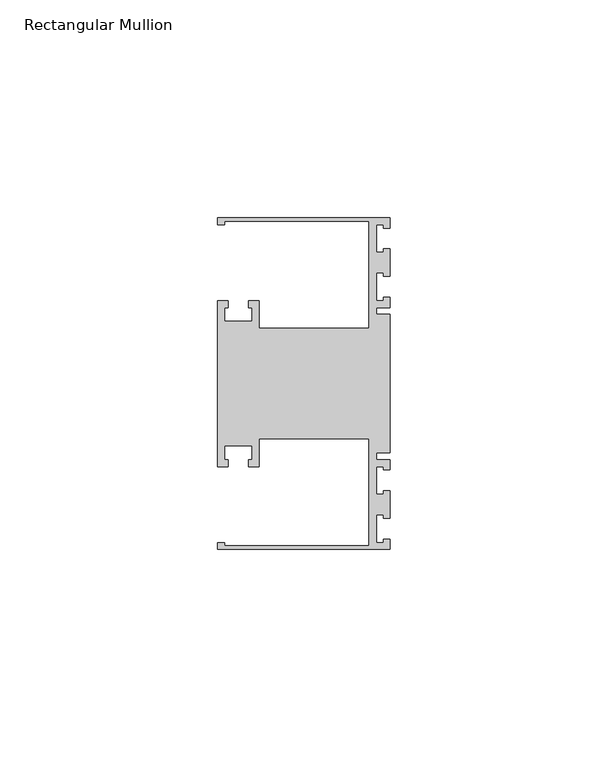
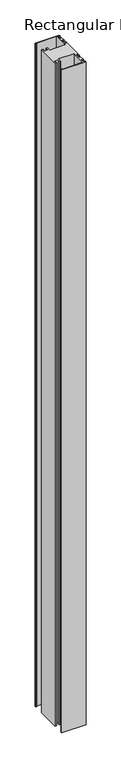
"""IFC4 building model written with IfcOpenShell, lengths in millimetres: member geometry, Rectangular Mullion."""

import ifcopenshell
import ifcopenshell.guid

model = None  # the IFC model being written
_history = None  # IfcOwnerHistory: only IFC2X3 demands one
_inside = {}  # id of a spatial element -> (the spatial element, [elements in it])
_under = {}  # id of a project, library or spatial element -> (it, [spatial elements below it])
_declared = {}  # id of a project -> (the project, [libraries it declares])
_typed = {}  # id of a type object -> (the type object, [elements of that type])
_made_of = {}  # id of a material, layer set ... -> (it, [elements and type objects made of it])


def new_model(schema):
    """Start an empty IFC model of exactly this schema.

    Asked for "IFC4X3", IfcOpenShell would pick the latest addendum, in which some entities
    have other attributes; the version numbers below select the first issue.
    IFC2X3 requires an IfcOwnerHistory on every rooted entity: one is made here for all.
    """
    global model, _history
    if schema == "IFC4X3":
        model = ifcopenshell.file(schema_version=(4, 3, 0, 0))
    else:
        model = ifcopenshell.file(schema=schema)
    _inside.clear()
    _under.clear()
    _declared.clear()
    _typed.clear()
    _made_of.clear()
    _history = None
    if model.schema == "IFC2X3":
        org = make("IfcOrganization", Name="unknown")
        user = make(
            "IfcPersonAndOrganization",
            ThePerson=make("IfcPerson", FamilyName="unknown"),
            TheOrganization=org,
        )
        app = make(
            "IfcApplication",
            ApplicationDeveloper=org,
            Version="unknown",
            ApplicationFullName="unknown",
            ApplicationIdentifier="unknown",
        )
        _history = make(
            "IfcOwnerHistory",
            OwningUser=user,
            OwningApplication=app,
            ChangeAction="ADDED",
            CreationDate=0,
        )
    return model


def make(cls, **values):
    """One entity of the class cls with the attributes given. An attribute that is None is left unset."""
    return model.create_entity(
        cls, **{name: value for name, value in values.items() if value is not None}
    )


def rooted(cls, **values):
    """An entity with a GlobalId (a new one), such as an element, a storey or a relation."""
    return make(cls, GlobalId=ifcopenshell.guid.new(), OwnerHistory=_history, **values)


def si_unit(unit_type, name, prefix=None):
    """IfcSIUnit, for example si_unit("LENGTHUNIT", "METRE", prefix="MILLI")."""
    return make("IfcSIUnit", UnitType=unit_type, Prefix=prefix, Name=name)


def assignment(units):
    """IfcUnitAssignment: the units of a project."""
    return None if units is None else make("IfcUnitAssignment", Units=units)


def point(xyz):
    """IfcCartesianPoint."""
    return None if xyz is None else make("IfcCartesianPoint", Coordinates=xyz)


def direction(xyz):
    """IfcDirection."""
    return None if xyz is None else make("IfcDirection", DirectionRatios=xyz)


def frame(location, z_axis=None, x_axis=None):
    """IfcAxis2Placement3D, a coordinate frame: its origin and axes. An axis left out is left unset."""
    return make(
        "IfcAxis2Placement3D",
        Location=point(location),
        Axis=direction(z_axis),
        RefDirection=direction(x_axis),
    )


def origin():
    """The frame at (0, 0, 0) with its axes left unset."""
    return frame((0.0, 0.0, 0.0))


def place(relative_to, where):
    """IfcLocalPlacement: puts the frame where relative to a parent placement (None: the world)."""
    return make(
        "IfcLocalPlacement", PlacementRelTo=relative_to, RelativePlacement=where
    )


def context(
    kind, dimensions, precision=None, world=None, true_north=None, identifier=None
):
    """IfcGeometricRepresentationContext, for example the 3D "Model" context."""
    return make(
        "IfcGeometricRepresentationContext",
        ContextIdentifier=identifier,
        ContextType=kind,
        CoordinateSpaceDimension=dimensions,
        Precision=precision,
        WorldCoordinateSystem=world,
        TrueNorth=true_north,
    )


def project(units=None, contexts=None):
    """IfcProject with its units and contexts."""
    return rooted(
        "IfcProject",
        Name="project",
        RepresentationContexts=contexts,
        UnitsInContext=assignment(units),
    )


def spatial(cls, under=None, at=None, **own):
    """A site, building, storey or space (cls), placed at a placement, below another one or the project."""
    s = rooted(cls, ObjectPlacement=at, **own)
    if under is not None:
        _under.setdefault(under.id(), (under, []))[1].append(s)
    return s


def polyline(points):
    """IfcPolyline through the points."""
    return make("IfcPolyline", Points=[point(p) for p in points])


def outline(outer, holes=None, kind="AREA"):
    """IfcArbitraryClosedProfileDef: a profile drawn as a closed curve; with holes, ...WithVoids."""
    if holes is None:
        return make("IfcArbitraryClosedProfileDef", ProfileType=kind, OuterCurve=outer)
    return make(
        "IfcArbitraryProfileDefWithVoids",
        ProfileType=kind,
        OuterCurve=outer,
        InnerCurves=holes,
    )


def extrude(swept, where, along, depth):
    """IfcExtrudedAreaSolid: the profile swept, set in the frame where, extruded along a direction by depth."""
    return make(
        "IfcExtrudedAreaSolid",
        SweptArea=swept,
        Position=where,
        ExtrudedDirection=direction(along),
        Depth=depth,
    )


def shape(context_of_items, identifier, shape_type, items):
    """IfcShapeRepresentation: the items that make up one representation, for example the "Body"."""
    return make(
        "IfcShapeRepresentation",
        ContextOfItems=context_of_items,
        RepresentationIdentifier=identifier,
        RepresentationType=shape_type,
        Items=items,
    )


def source(mapping_origin, context_of_items, identifier, shape_type, items):
    """IfcRepresentationMap: a shape defined once, which mapped items show again and again."""
    return make(
        "IfcRepresentationMap",
        MappingOrigin=mapping_origin,
        MappedRepresentation=shape(context_of_items, identifier, shape_type, items),
    )


def transform(
    local_origin,
    x_axis=None,
    y_axis=None,
    z_axis=None,
    scale=None,
    scale2=None,
    scale3=None,
    uniform=True,
):
    """IfcCartesianTransformationOperator3D, or its non-uniform kind. x_axis, y_axis, z_axis: its Axis1, 2, 3."""
    if uniform:
        return make(
            "IfcCartesianTransformationOperator3D",
            Axis1=direction(x_axis),
            Axis2=direction(y_axis),
            LocalOrigin=point(local_origin),
            Scale=scale,
            Axis3=direction(z_axis),
        )
    return make(
        "IfcCartesianTransformationOperator3DnonUniform",
        Axis1=direction(x_axis),
        Axis2=direction(y_axis),
        LocalOrigin=point(local_origin),
        Scale=scale,
        Axis3=direction(z_axis),
        Scale2=scale2,
        Scale3=scale3,
    )


def mapped(mapping_source, mapping_target):
    """IfcMappedItem: shows the shape of a source again, moved by a transform."""
    return make(
        "IfcMappedItem", MappingSource=mapping_source, MappingTarget=mapping_target
    )


def made_of(thing, what):
    """Note that an element or type object is made of a material, layer set ...; save() writes the relation."""
    if what is not None:
        _made_of.setdefault(what.id(), (what, []))[1].append(thing)
    return thing


def element(
    cls,
    number,
    at=None,
    inside=None,
    cuts=None,
    type_object=None,
    material=None,
    context=None,
    identifier="Body",
    shape_type=None,
    held_by="IfcProductDefinitionShape",
    body=None,
    shapes=None,
    **own,
):
    """One element of the class cls, such as IfcWall. Its Tag is "e" and its number.

    at: its placement. inside: the storey or other place that contains it. cuts: it is an
    opening in that element (IfcRelVoidsElement). A single representation is given by context,
    identifier, shape_type and body (its items); several are given by shapes. held_by: the class
    of the entity that holds the representations. save() writes the other relations.
    """
    e = rooted(cls, Tag="e%d" % number, ObjectPlacement=at, **own)
    if body is not None:
        shapes = [shape(context, identifier, shape_type, body)]
    if shapes is not None:
        e.Representation = make(held_by, Representations=shapes)
    if inside is not None:
        _inside.setdefault(inside.id(), (inside, []))[1].append(e)
    if cuts is not None:
        rooted(
            "IfcRelVoidsElement", RelatingBuildingElement=cuts, RelatedOpeningElement=e
        )
    if type_object is not None:
        _typed.setdefault(type_object.id(), (type_object, []))[1].append(e)
    return made_of(e, material)


def aggregate(whole, parts):
    """IfcRelAggregates: a whole, such as a stair, and the parts it consists of."""
    return rooted("IfcRelAggregates", RelatingObject=whole, RelatedObjects=parts)


def save(model, path):
    """Write the relations noted so far, then the file.

    IfcRelAggregates (storeys below a building ...), IfcRelContainedInSpatialStructure (elements
    in a storey), IfcRelDefinesByType, IfcRelAssociatesMaterial and IfcRelDeclares: one each for
    every whole, place, type object, material and project.
    """
    for whole, parts in _under.values():
        aggregate(whole, parts)
    for where, things in _inside.values():
        rooted(
            "IfcRelContainedInSpatialStructure",
            RelatedElements=things,
            RelatingStructure=where,
        )
    for kind, things in _typed.values():
        rooted("IfcRelDefinesByType", RelatedObjects=things, RelatingType=kind)
    for what, things in _made_of.values():
        rooted("IfcRelAssociatesMaterial", RelatedObjects=things, RelatingMaterial=what)
    for by, libraries in _declared.values():
        rooted("IfcRelDeclares", RelatingContext=by, RelatedDefinitions=libraries)
    model.write(path)


def rectangular_mullion_83f56f84(model_context):
    return source(origin(), model_context, "Body", "SweptSolid", [
        extrude(outline(polyline([(0.0, -38.1), (-39.6875, -38.1), (-39.6875, -36.5125), (-38.1, -36.5125), (-38.1, -37.30625), (-4.8585733, -37.30625), (-4.8585733, -12.6999969), (-30.1625, -12.6999969), (-30.1625, -19.05), (-32.54375, -19.05), (-32.54375, -17.4625), (-31.75, -17.4625), (-31.75, -14.2875), (-38.1, -14.2875), (-38.1, -17.4625), (-37.30625, -17.4625), (-37.30625, -19.05), (-39.6875, -19.05), (-39.6875, 19.05), (-37.30625, 19.05), (-37.30625, 17.4625), (-38.1, 17.4625), (-38.1, 14.2875), (-31.75, 14.2875), (-31.75, 17.4625), (-32.54375, 17.4625), (-32.54375, 19.05), (-30.1625, 19.05), (-30.1625, 12.6999969), (-4.8585733, 12.6999969), (-4.8585733, 37.30625), (-38.1, 37.30625), (-38.1, 36.5125), (-39.6875, 36.5125), (-39.6875, 38.1), (0.0, 38.1), (0.0, 35.71875), (-1.4999946, 35.71875), (-1.4999946, 36.5125), (-3.175, 36.5125), (-3.175, 30.1625), (-1.4999946, 30.1625), (-1.4999946, 30.95625), (0.0, 30.95625), (0.0, 24.60625), (-1.4999946, 24.60625), (-1.4999946, 25.4), (-3.175, 25.4), (-3.175, 19.05), (-1.4999946, 19.05), (-1.4999946, 19.84375), (0.0, 19.84375), (0.0, 17.4625), (-3.175, 17.4625), (-3.175, 15.875), (0.0, 15.875), (0.0, -15.875), (-3.175, -15.875), (-3.175, -17.4625), (0.0, -17.4625), (0.0, -19.84375), (-1.4999946, -19.84375), (-1.4999946, -19.05), (-3.175, -19.05), (-3.175, -25.4), (-1.4999946, -25.4), (-1.4999946, -24.60625), (0.0, -24.60625), (0.0, -30.95625), (-1.4999946, -30.95625), (-1.4999946, -30.1625), (-3.175, -30.1625), (-3.175, -36.5125), (-1.4999946, -36.5125), (-1.4999946, -35.71875), (0.0, -35.71875), (0.0, -38.1)])), frame((0.0, 0.0, -1152.525), z_axis=(0.0, 0.0, 1.0), x_axis=(1.0, 0.0, 0.0)), (0.0, 0.0, 1.0), 1152.525),
    ])


if __name__ == "__main__":
    model = new_model("IFC4")
    model_context = context("Model", 3, world=origin())
    ifc_project = project(units=[si_unit("LENGTHUNIT", "METRE", prefix="MILLI")], contexts=[model_context])
    site = spatial("IfcSite", under=ifc_project)
    building = spatial("IfcBuilding", under=site)
    placement = place(None, origin())
    rectangular_mullion_shape = rectangular_mullion_83f56f84(model_context)
    element("IfcMember", 1, ObjectType="Rectangular Mullion", at=placement, inside=building, context=model_context, shape_type="MappedRepresentation", body=[
        mapped(rectangular_mullion_shape, transform((0.0, 0.0, 0.0), x_axis=(1.0, 0.0, 0.0), y_axis=(0.0, 1.0, 0.0), z_axis=(0.0, 0.0, 1.0))),
    ])
    save(model, "model.ifc")
